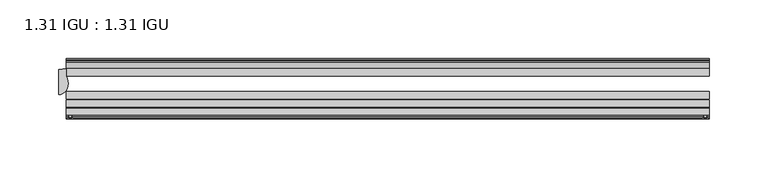
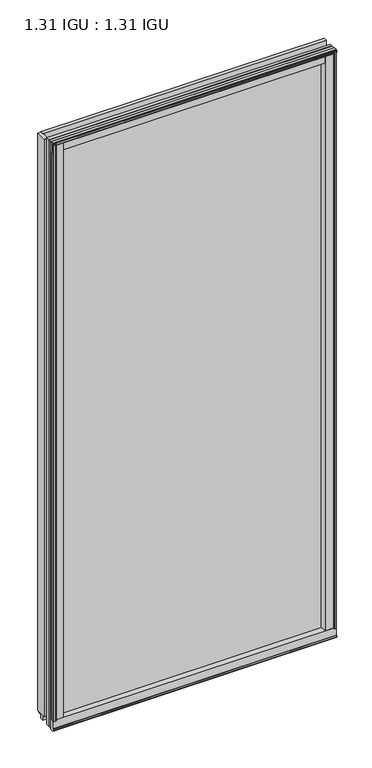
"""IFC4 building model written with IfcOpenShell, lengths in millimetres: plate geometry, 1.31 IGU : 1.31 IGU."""

from ifc_helpers import new_model, si_unit, point, frame, frame_2d, origin, origin_with_axes, place, context, project, spatial, polyline, circle_curve, ellipse_curve, trimmed, segment, composite_curve, outline, extrude, source, transform, mapped, element, save
from ifc_brep_helpers import plane_surface, cylinder_surface, revolved_surface, extruded_surface, advanced_brep


def plate_1_31_igu_1_31_igu_62c8385d(model_context):
    return source(origin(), model_context, "Body", "SolidModel", [
        extrude(outline(composite_curve([segment(polyline([(265.1245906, -57.6333938), (248.9398437, -57.6333938)]), True, "CONTINUOUS"), segment(trimmed(circle_curve(frame_2d((241.6451146, -57.6547678)), 7.2947605), [point((248.9398437, -57.6333938))], [point((245.1974551, -51.2833938))], True, "CARTESIAN"), True, "CONTINUOUS"), segment(polyline([(245.1974551, -51.2833938), (268.067876, -51.2833938)]), True, "CONTINUOUS"), segment(trimmed(circle_curve(frame_2d((268.067876, -52.0707938)), 0.7874), [point((268.067876, -51.2833938))], [point((268.8494069, -51.9748338))], False, "CARTESIAN"), True, "CONTINUOUS"), segment(polyline([(268.8494069, -51.9748338), (269.5441906, -57.6333938), (267.6137906, -57.6333938), (267.1565906, -59.624458), (268.1579525, -59.3561439), (268.4011906, -60.263921), (266.3691906, -60.8083938), (264.3371906, -60.263921), (264.5804288, -59.3561439), (265.5817906, -59.624458), (265.1245906, -57.6333938)]), True, "CONTINUOUS")], self_intersect=False)), origin_with_axes(), (0.0, 0.0, 1.0), 1174.75),
        extrude(outline(composite_curve([segment(polyline([(-255.5875, -57.6333937), (-271.7722469, -57.6333937), (-272.2294469, -59.624458), (-271.228085, -59.3561439), (-270.9848469, -60.263921), (-273.0168469, -60.8083937), (-275.0488469, -60.263921), (-274.8056088, -59.3561439), (-273.8042469, -59.624458), (-274.2614469, -57.6333937), (-276.1918469, -57.6333937), (-275.4970631, -51.9748338)]), True, "CONTINUOUS"), segment(trimmed(circle_curve(frame_2d((-274.7155323, -52.0707937)), 0.7874), [point((-275.4970631, -51.9748338))], [point((-274.7155323, -51.2833937))], False, "CARTESIAN"), True, "CONTINUOUS"), segment(polyline([(-274.7155323, -51.2833937), (-251.8451114, -51.2833937)]), True, "CONTINUOUS"), segment(trimmed(circle_curve(frame_2d((-248.2927708, -57.6547678)), 7.2947605), [point((-251.8451114, -51.2833937))], [point((-255.5875, -57.6333937))], True, "CARTESIAN"), True, "CONTINUOUS")], self_intersect=False)), origin_with_axes(), (0.0, 0.0, 1.0), 1174.75),
        extrude(outline(polyline([(-9.7543937, -6.8579998), (-10.4009552, -9.2709998), (-11.2596632, -9.0409097), (-10.8839895, -7.6388763), (-13.1833937, -8.3819998), (-13.1833937, -11.7850089), (-17.9585937, -10.1533914), (-17.9585937, 0.6595133), (-13.1833937, -0.5079998), (-13.1833937, -5.4609998), (-10.8839895, -6.0771233), (-11.2596632, -4.6750899), (-10.4009552, -4.4449998), (-9.7543937, -6.8579998)])), frame((-276.225, 0.0, 0.0), z_axis=(1.0, 0.0, 0.0), x_axis=(0.0, 1.0, 0.0)), (0.0, 0.0, 1.0), 545.8023437),
        extrude(outline(composite_curve([segment(polyline([(-51.9748338, -19.930016), (-57.6333937, -20.6247998), (-57.6333937, -18.6943998), (-59.624458, -18.2371998), (-59.3561439, -19.2385617), (-60.263921, -19.4817998), (-60.8083937, -17.4497998), (-60.263921, -15.4177998), (-59.3561439, -15.6610379), (-59.624458, -16.6623998), (-57.6333937, -16.2051998), (-57.6333937, 0.0127002)]), True, "CONTINUOUS"), segment(trimmed(circle_curve(frame_2d((-58.1588233, 7.9620141)), 7.9666598), [point((-57.6333937, 0.0127002))], [point((-51.2833937, 3.9375717))], True, "CARTESIAN"), True, "CONTINUOUS"), segment(polyline([(-51.2833937, 3.9375717), (-51.2833937, -19.1484852)]), True, "CONTINUOUS"), segment(trimmed(circle_curve(frame_2d((-52.0707937, -19.1484852)), 0.7874), [point((-51.2833937, -19.1484852))], [point((-51.9748338, -19.930016))], False, "CARTESIAN"), True, "CONTINUOUS")], self_intersect=False)), frame((-276.225, 0.0, 0.0), z_axis=(1.0, 0.0, 0.0), x_axis=(0.0, 1.0, 0.0)), (0.0, 0.0, 1.0), 545.8023437),
        extrude(outline(polyline([(-17.9585937, 1165.8533914), (-13.1833937, 1167.4850089), (-13.1833937, 1164.0819998), (-10.8839895, 1163.3388763), (-11.2596632, 1164.7409097), (-10.4009552, 1164.9709998), (-9.7543937, 1162.5579998), (-10.4009552, 1160.1449998), (-11.2596632, 1160.3750899), (-10.8839895, 1161.7771233), (-13.1833937, 1161.1609998), (-13.1833937, 1156.2079998), (-17.9585937, 1155.0404867), (-17.9585937, 1165.8533914)])), frame((-276.225, 0.0, 0.0), z_axis=(1.0, 0.0, 0.0), x_axis=(0.0, 1.0, 0.0)), (0.0, 0.0, 1.0), 545.8023437),
        extrude(outline(composite_curve([segment(trimmed(circle_curve(frame_2d((-52.0707937, 1174.8484852)), 0.7874), [point((-51.9748338, 1175.630016))], [point((-51.2833937, 1174.8484852))], False, "CARTESIAN"), True, "CONTINUOUS"), segment(polyline([(-51.2833937, 1174.8484852), (-51.2833937, 1151.7624283)]), True, "CONTINUOUS"), segment(trimmed(circle_curve(frame_2d((-58.1588233, 1147.7379859)), 7.9666598), [point((-51.2833937, 1151.7624283))], [point((-57.6333937, 1155.6872998))], True, "CARTESIAN"), True, "CONTINUOUS"), segment(polyline([(-57.6333937, 1155.6872998), (-57.6333937, 1171.9051998), (-59.624458, 1172.3623998), (-59.3561439, 1171.3610379), (-60.263921, 1171.1177998), (-60.8083937, 1173.1497998), (-60.263921, 1175.1817998), (-59.3561439, 1174.9385617), (-59.624458, 1173.9371998), (-57.6333937, 1174.3943998), (-57.6333937, 1176.3247998), (-51.9748338, 1175.630016)]), True, "CONTINUOUS")], self_intersect=False)), frame((-276.225, 0.0, 0.0), z_axis=(1.0, 0.0, 0.0), x_axis=(0.0, 1.0, 0.0)), (0.0, 0.0, 1.0), 545.8023437),
        advanced_brep(
        [(-276.2122998, -24.3085938, 1174.75), (-276.2122998, -17.9585937, 1174.75), (-282.5622998, -18.9011397, 1174.75), (-282.5622998, -40.2563586, 1174.75), (-274.7534173, -31.0522937, 1174.75), (-276.2122998, -24.3085938, 0.0), (-274.7534173, -31.0522937, 0.0), (-282.5622998, -40.2563586, 0.0), (-282.5622998, -18.9011397, 0.0), (-276.2122998, -17.9585937, 0.0)],
        [
            (0, 1),
            (1, 2, circle_curve(frame((-282.5622998, 2.9603377, 1174.75), z_axis=(0.0, 0.0, -1.0), x_axis=(0.0, 1.0, 0.0)), 21.8614773)),
            (2, 3),
            (3, 4, ellipse_curve(frame((-282.5622998, -31.0522937, 1174.75), z_axis=(0.0, 0.0, 1.0), x_axis=(0.0, -1.0, 0.0)), 9.2040648, 7.8088825)),
            (4, 0, circle_curve(frame((-291.0692711, -31.0522937, 1174.75), z_axis=(0.0, 0.0, 1.0), x_axis=(0.0, 1.0, 0.0)), 16.3158538)),
            (5, 6, circle_curve(frame((-291.0692711, -31.0522937, 0.0), z_axis=(0.0, 0.0, -1.0), x_axis=(0.0, 1.0, 0.0)), 16.3158538)),
            (6, 7, ellipse_curve(frame((-282.5622998, -31.0522937, 0.0), z_axis=(0.0, 0.0, -1.0), x_axis=(0.0, -1.0, 0.0)), 9.2040648, 7.8088825)),
            (7, 8),
            (8, 9, circle_curve(frame((-282.5622998, 2.9603377, 0.0), z_axis=(0.0, 0.0, 1.0), x_axis=(0.0, 1.0, 0.0)), 21.8614773)),
            (9, 5),
            (0, 5),
            (9, 1),
            (8, 2),
            (7, 3),
            (6, 4),
        ],
        [
            plane_surface(frame((-250.825, -11.6085937, 1174.75), z_axis=(0.0, 0.0, 1.0), x_axis=(0.0, 1.0, 0.0))),
            plane_surface(frame((-250.825, -11.6085937, 0.0), z_axis=(0.0, 0.0, -1.0), x_axis=(0.0, 1.0, 0.0))),
            plane_surface(frame((-276.2122998, -24.3085938, 1174.75), z_axis=(1.0, 0.0, 0.0), x_axis=(0.0, 0.0, -1.0))),
            revolved_surface(polyline([(-282.5622998, 24.821815, 0.0), (-282.5622998, 24.821815, 1174.75)]), (-282.5622998, 2.9603377, 1174.75), (0.0, 0.0, -1.0)),
            plane_surface(frame((-282.5622998, -18.9011397, 1174.75), z_axis=(-1.0, 0.0, 0.0), x_axis=(0.0, 0.0, -1.0))),
            extruded_surface(trimmed(ellipse_curve(frame((-282.5622998, -31.0522937, 0.0), z_axis=(0.0, 0.0, 1.0), x_axis=(0.0, -1.0, 0.0)), 9.2040648, 7.8088825), [point((-282.5622998, -40.2563586, 0.0))], [point((-274.7534173, -31.0522937, 0.0))], True, "CARTESIAN"), (0.0, 0.0, 1174.75), 1174.75),
            cylinder_surface(frame((-291.0692711, -31.0522937, 1174.75), z_axis=(0.0, 0.0, 1.0), x_axis=(0.0, 1.0, 0.0)), 16.3158538),
        ],
        [
            (0, [[1, 2, 3, 4, 5]]),
            (1, [[6, 7, 8, 9, 10]]),
            (2, [[-1, 11, -10, 12]]),
            (3, [[-2, -12, -9, 13]]),
            (4, [[-3, -13, -8, 14]]),
            (5, [[-4, -14, -7, 15]]),
            (6, [[-5, -15, -6, -11]]),
        ],
    ),
        extrude(outline(polyline([(258.4765765, -10.8839895), (259.2197, -13.1833937), (262.6227091, -13.1833937), (260.9910916, -17.9585937), (250.1781869, -17.9585937), (251.3457, -13.1833937), (256.2987, -13.1833937), (256.9148235, -10.8839895), (255.5127901, -11.2596632), (255.2827, -10.4009552), (257.6957, -9.7543937), (260.1087, -10.4009552), (259.8786099, -11.2596632), (258.4765765, -10.8839895)])), origin_with_axes(), (0.0, 0.0, 1.0), 1155.7),
        extrude(outline(polyline([(269.5773437, -17.9585937), (269.5773437, -24.3085937), (-276.225, -24.3085937), (-276.225, -17.9585937), (269.5773437, -17.9585937)])), frame((0.0, 0.0, -19.0372998), z_axis=(0.0, 0.0, 1.0), x_axis=(1.0, 0.0, 0.0)), (0.0, 0.0, 1.0), 1193.7872998),
        extrude(outline(polyline([(-276.225, -44.1459937), (-276.225, -37.7959937), (269.5773437, -37.7959937), (269.5773437, -44.1459937), (-276.225, -44.1459937)])), frame((0.0, 0.0, -19.0372998), z_axis=(0.0, 0.0, 1.0), x_axis=(1.0, 0.0, 0.0)), (0.0, 0.0, 1.0), 1193.7872998),
        extrude(outline(polyline([(-276.225, -51.2833937), (-276.225, -44.9333937), (269.5773437, -44.9333937), (269.5773437, -51.2833937), (-276.225, -51.2833937)])), frame((0.0, 0.0, -19.0372998), z_axis=(0.0, 0.0, 1.0), x_axis=(1.0, 0.0, 0.0)), (0.0, 0.0, 1.0), 1193.7872998),
    ])


if __name__ == "__main__":
    model = new_model("IFC4")
    model_context = context("Model", 3, world=origin())
    ifc_project = project(units=[si_unit("LENGTHUNIT", "METRE", prefix="MILLI")], contexts=[model_context])
    site = spatial("IfcSite", under=ifc_project)
    building = spatial("IfcBuilding", under=site)
    placement = place(None, origin())
    plate_1_31_igu_1_31_igu_shape = plate_1_31_igu_1_31_igu_62c8385d(model_context)
    element("IfcPlate", 1, ObjectType="1.31 IGU : 1.31 IGU", at=placement, inside=building, context=model_context, shape_type="MappedRepresentation", body=[
        mapped(plate_1_31_igu_1_31_igu_shape, transform((0.0, 0.0, 0.0), x_axis=(1.0, 0.0, 0.0), y_axis=(0.0, 1.0, 0.0), z_axis=(0.0, 0.0, 1.0))),
    ])
    save(model, "model.ifc")
